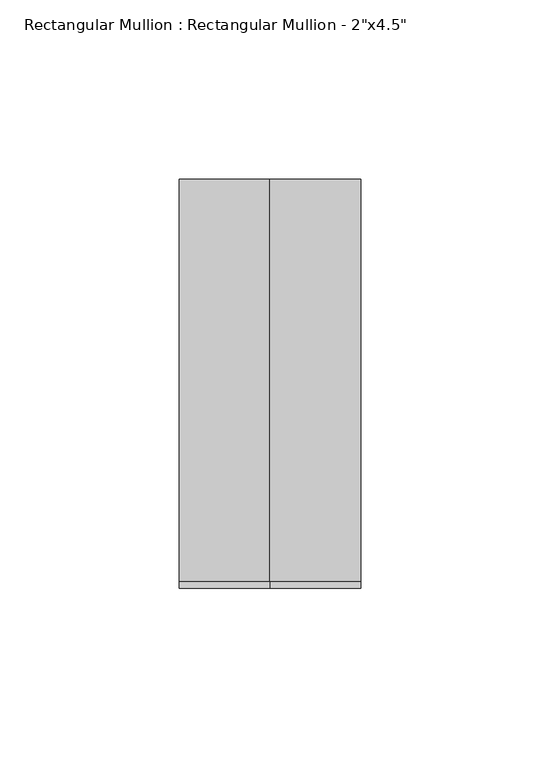
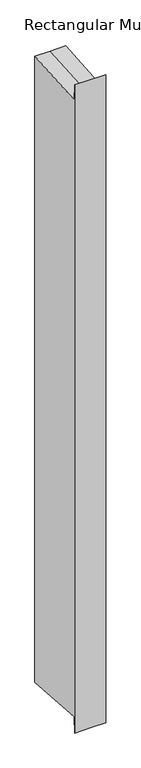
"""IFC4 building model written with IfcOpenShell, lengths in millimetres: member geometry."""

from ifc_helpers import new_model, si_unit, origin, place, context, project, spatial, faceted_brep, source, transform, mapped, element, save


def member_93a1347c(model_context):
    return source(origin(), model_context, "Body", "Brep", [
        faceted_brep([(-25.4, 57.15, 4.096095), (0.0, 57.15, 4.096095), (25.4, 57.15, 4.096095), (25.4, 57.15, -1090.1317681), (0.0, 57.15, -1090.1317681), (-25.4, 57.15, -1090.1317681), (-25.4, -57.15, 23.3210511), (-25.4, -55.1534353, -4.0852687), (-25.4, -55.1534353, -1081.9504044), (-25.4, -57.15, -1109.3567242), (25.4, -57.15, 23.3210511), (0.0, -57.15, 23.3210511), (0.0, -57.15, -1109.3567242), (25.4, -57.15, -1109.3567242), (25.4, -55.1534353, -4.0852687), (25.4, -55.1534353, -1081.9504044), (0.0, -55.1534353, -4.0852687), (0.0, -55.1534353, -1081.9504044)], [[[0, 1, 2, 3, 4, 5]], [[6, 7, 0, 5, 8, 9]], [[10, 11, 6, 9, 12, 13]], [[2, 14, 10, 13, 15, 3]], [[2, 1, 16, 14]], [[1, 0, 7, 16]], [[7, 6, 11, 16]], [[11, 10, 14, 16]], [[3, 15, 17, 4]], [[15, 13, 12, 17]], [[12, 9, 8, 17]], [[8, 5, 4, 17]]]),
    ])


if __name__ == "__main__":
    model = new_model("IFC4")
    model_context = context("Model", 3, world=origin())
    ifc_project = project(units=[si_unit("LENGTHUNIT", "METRE", prefix="MILLI")], contexts=[model_context])
    site = spatial("IfcSite", under=ifc_project)
    building = spatial("IfcBuilding", under=site)
    placement = place(None, origin())
    member_shape = member_93a1347c(model_context)
    element("IfcMember", 1, ObjectType="Rectangular Mullion : Rectangular Mullion - 2\"x4.5\"", at=placement, inside=building, context=model_context, shape_type="MappedRepresentation", body=[
        mapped(member_shape, transform((0.0, 0.0, 0.0), x_axis=(1.0, 0.0, 0.0), y_axis=(0.0, 1.0, 0.0), z_axis=(0.0, 0.0, 1.0))),
    ])
    save(model, "model.ifc")
